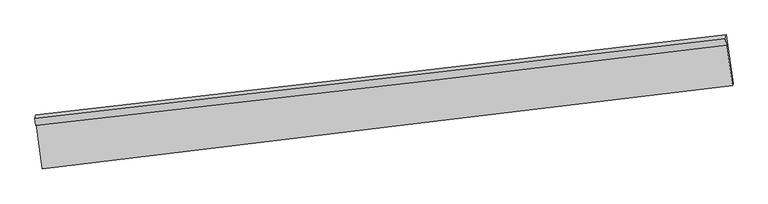
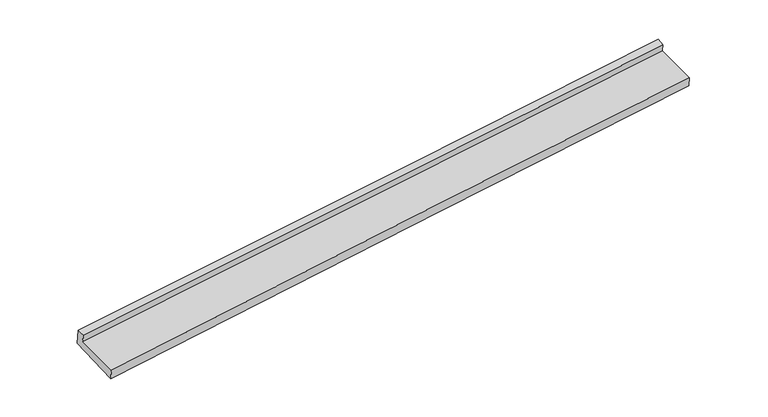
"""IFC4 building model written with IfcOpenShell, lengths in millimetres: proxy geometry."""

from ifc_helpers import new_model, si_unit, frame, origin, place, context, project, spatial, source, transform, mapped, element, save
from ifc_brep_helpers import plane_surface, spline_curve, spline_surface, advanced_brep


def generic_models_90b652bc(model_context):
    return source(origin(), model_context, "Body", "AdvancedBrep", [
        advanced_brep(
        [(-5935.2687821, -2169.4789585, 1711.4117748), (-5928.3019206, -2141.4029338, 1572.4263657), (5320.8482003, -829.7170735, 2401.2773702), (5313.8813387, -857.7930983, 2540.2627793), (-5951.6939642, -2052.375282, 1744.3641004), (5297.422038, -746.078108, 2582.3391435), (-5936.8959695, -1992.7402709, 1449.1514949), (5312.3218685, -686.0327046, 2285.0949632), (-5821.388501, -2835.1254102, 1247.7642097), (5421.2140915, -1480.1734783, 2095.2413594), (-5830.5115564, -2871.890764, 1429.76461), (5412.5817849, -1514.9611443, 2267.4515648)],
        [
            (0, 1),
            (1, 2, spline_curve(3, [(-5928.3019206, -2141.4029338, 1572.4263657), (-3782.72576763, -1903.09283756, 1736.070944949), (-1637.705567036, -1658.058238043, 1896.496915434), (2111.766612158, -1217.871953132, 2171.364929817), (3716.463119409, -1025.677932284, 2287.222627391), (5320.8482003, -829.7170735, 2401.2773702)], [4, 2, 4], [0.0, 21.30824102570208, 37.25623173710168])),
            (2, 3),
            (3, 0, spline_curve(3, [(5313.8813387, -857.7930983, 2540.2627793), (3709.782273327, -1052.601332535, 2420.50217288), (2105.249349489, -1244.13612415, 2301.381076939), (-1644.126698692, -1683.935002619, 2024.595274432), (-3789.310481454, -1929.628831159, 1867.432702229), (-5935.2687821, -2169.4789585, 1711.4117748)], [4, 2, 4], [0.0, 15.947990711399598, 37.25623173710168])),
            (4, 0),
            (3, 5),
            (5, 4, spline_curve(3, [(5297.422038, -746.078108, 2582.3391435), (3692.846123053, -934.637857453, 2458.954651943), (2088.042554268, -1122.269769491, 2337.203631376), (-1661.484029405, -1558.430684981, 2056.596040349), (-3806.38579539, -1806.231165072, 1899.022046188), (-5951.6939642, -2052.375282, 1744.3641004)], [4, 2, 4], [0.0, 15.947964783471988, 37.25617116665761])),
            (6, 4),
            (5, 7),
            (7, 6, spline_curve(3, [(5312.3218685, -686.0327046, 2285.0949632), (3707.458943094, -875.749088042, 2167.436182969), (2102.485002876, -1064.067588588, 2049.083999308), (-1647.167109488, -1500.734373831, 1770.980626714), (-3791.932448286, -1747.98506245, 1610.684987655), (-5936.8959695, -1992.7402709, 1449.1514949)], [4, 2, 4], [0.0, 15.947953734702342, 37.25614535553633])),
            (8, 6),
            (7, 9),
            (9, 8, spline_curve(3, [(5421.2140915, -1480.1734783, 2095.2413594), (3816.415793646, -1670.361184539, 1977.469901165), (2211.88286959, -1861.895976106, 1858.348805107), (-1535.859695589, -2312.488908221, 1576.916137505), (-3678.860969, -2572.604760784, 1413.544850453), (-5821.388501, -2835.1254102, 1247.7642097)], [4, 2, 4], [0.0, 15.947882738164303, 37.255979499942256])),
            (10, 8),
            (9, 11),
            (11, 10, spline_curve(3, [(5412.5817849, -1514.9611443, 2267.4515648), (3807.549880558, -1706.090270652, 2154.340442626), (2202.853373202, -1898.28429163, 2038.482745233), (-1545.107755951, -2349.75802595, 1761.410330533), (-3688.10902938, -2609.873878348, 1598.039043202), (-5830.5115564, -2871.890764, 1429.76461)], [4, 2, 4], [0.0, 15.947909938450593, 37.25604304275387])),
            (1, 10),
            (11, 2),
        ],
        [
            spline_surface(3, 3, [[(-5935.2687821, -2169.4789585, 1711.4117748), (-3789.310481345, -1929.628831295, 1867.432702367), (-1644.126698405, -1683.935002721, 2024.59527456), (2105.249349274, -1244.136124074, 2301.381076844), (3709.782273234, -1052.601332637, 2420.502172832), (5313.8813387, -857.7930983, 2540.2627793)], [(-5932.946494921, -2160.120283582, 1665.083305087), (-3787.115576661, -1920.783500019, 1823.645449823), (-1641.986321373, -1675.30941454, 1981.89582145), (2107.421770342, -1235.381400389, 2258.042361201), (3712.009221954, -1043.626865858, 2376.075657755), (5316.203625879, -848.434423382, 2493.934309587)], [(-5930.624207779, -2150.761608718, 1618.754835413), (-3784.920672013, -1911.938168797, 1779.858197317), (-1639.845944408, -1666.683826365, 1939.196368371), (2109.594191344, -1226.626676712, 2214.703645589), (3714.236170739, -1034.652399033, 2331.649142716), (5318.525913121, -839.075748418, 2447.605839913)], [(-5928.3019206, -2141.4029338, 1572.4263657), (-3782.725767329, -1903.092837521, 1736.070944773), (-1637.705567376, -1658.058238183, 1896.496915261), (2111.766612412, -1217.871953027, 2171.364929947), (3716.46311946, -1025.677932255, 2287.22262764), (5320.8482003, -829.7170735, 2401.2773702)]], [4, 4], [4, 2, 4], [0.0, 0.4322588821332527], [0.0, 21.30824102570208, 37.25623173710168]),
            spline_surface(3, 3, [[(-5951.6939642, -2052.375282, 1744.3641004), (-3806.385795427, -1806.231164912, 1899.022046302), (-1661.484029679, -1558.430685209, 2056.596040122), (2088.042554473, -1122.269769321, 2337.203631546), (3692.846122824, -934.637857666, 2458.954652067), (5297.422038, -746.078108, 2582.3391435)], [(-5946.218903512, -2091.409840854, 1733.379991887), (-3800.694024078, -1847.363720393, 1888.492265011), (-1655.698252579, -1600.265457702, 2045.929118268), (2093.778152748, -1162.891887561, 2325.262779979), (3698.491506314, -973.95901597, 2446.137158989), (5302.908471587, -783.31643808, 2568.313688767)], [(-5940.743842788, -2130.444399646, 1722.395883313), (-3795.002252694, -1888.496275813, 1877.962483658), (-1649.912475504, -1642.100230228, 2035.262196413), (2099.513750998, -1203.514005834, 2313.321928411), (3704.136889743, -1013.280174333, 2433.31966591), (5308.394905113, -820.55476822, 2554.288234033)], [(-5935.2687821, -2169.4789585, 1711.4117748), (-3789.310481345, -1929.628831295, 1867.432702367), (-1644.126698405, -1683.935002721, 2024.59527456), (2105.249349274, -1244.136124074, 2301.381076844), (3709.782273234, -1052.601332637, 2420.502172832), (5313.8813387, -857.7930983, 2540.2627793)]], [4, 4], [4, 2, 4], [0.0, 0.4251939882387166], [0.0, 21.30820638318562, 37.25617116665761]),
            spline_surface(3, 3, [[(-5936.8959695, -1992.7402709, 1449.1514949), (-3791.932448305, -1747.985062413, 1610.684987892), (-1647.167109311, -1500.734374056, 1770.980626801), (2102.485002744, -1064.067588419, 2049.083999243), (3707.458943065, -875.749088006, 2167.436183118), (5312.3218685, -686.0327046, 2285.0949632)], [(-5941.828634395, -2012.618607935, 1547.555696708), (-3796.750230674, -1767.400429915, 1706.79734067), (-1651.939416105, -1519.966477782, 1866.185764577), (2097.670853315, -1083.468315394, 2145.12387668), (3702.588002965, -895.378677906, 2264.609006097), (5307.355258313, -706.047839079, 2384.17635663)], [(-5946.761299305, -2032.496944965, 1645.959898592), (-3801.568013058, -1786.81579741, 1802.909693524), (-1656.711722884, -1539.198581483, 1961.390902345), (2092.856703902, -1102.869042345, 2241.163754109), (3697.717062924, -915.008267767, 2361.781829087), (5302.388648187, -726.062973521, 2483.25775007)], [(-5951.6939642, -2052.375282, 1744.3641004), (-3806.385795427, -1806.231164912, 1899.022046302), (-1661.484029679, -1558.430685209, 2056.596040122), (2088.042554473, -1122.269769321, 2337.203631546), (3692.846122824, -934.637857666, 2458.954652067), (5297.422038, -746.078108, 2582.3391435)]], [4, 4], [4, 2, 4], [0.0, 0.960788996231697], [0.0, 21.30819162083399, 37.25614535553633]),
            spline_surface(3, 3, [[(-5821.388501, -2835.1254102, 1247.7642097), (-3678.860968991, -2572.604760935, 1413.544850134), (-1535.859695544, -2312.488908479, 1576.916137399), (2211.882869556, -1861.895975913, 1858.348805187), (3816.415793616, -1670.361184376, 1977.469901175), (5421.2140915, -1480.1734783, 2095.2413594)], [(-5859.890990492, -2554.330363754, 1314.893304783), (-3716.551462088, -2297.731528082, 1479.258229402), (-1572.962166814, -2041.904063676, 1641.604300543), (2175.416913937, -1595.953180086, 1921.927203216), (3780.096843453, -1405.490485562, 2040.791995173), (5384.916683854, -1215.459887042, 2158.525894017)], [(-5898.393480008, -2273.535317346, 1382.022399817), (-3754.241955208, -2022.858295267, 1544.971608623), (-1610.06463804, -1771.319218859, 1706.292463656), (2138.950958363, -1330.010384245, 1985.505601214), (3743.777893228, -1140.619786821, 2104.114089119), (5348.619276146, -950.746295858, 2221.810428583)], [(-5936.8959695, -1992.7402709, 1449.1514949), (-3791.932448305, -1747.985062413, 1610.684987892), (-1647.167109311, -1500.734374056, 1770.980626801), (2102.485002744, -1064.067588419, 2049.083999243), (3707.458943065, -875.749088006, 2167.436183118), (5312.3218685, -686.0327046, 2285.0949632)]], [4, 4], [4, 2, 4], [0.0, 2.74644282753581], [0.0, 21.308096761777954, 37.255979499942256]),
            spline_surface(3, 3, [[(-5830.5115564, -2871.890764, 1429.76461), (-3688.10902967, -2609.873878343, 1598.039043334), (-1545.107756223, -2349.758025887, 1761.410330599), (2202.853373405, -1898.284291677, 2038.482745183), (3807.549880352, -1706.090270905, 2154.340442876), (5412.5817849, -1514.9611443, 2267.4515648)], [(-5827.47053793, -2859.635646054, 1369.097809887), (-3685.026342774, -2597.450839195, 1536.54097892), (-1542.025069326, -2337.334986739, 1699.912266185), (2205.863205459, -1886.154853077, 1978.438098504), (3810.505184754, -1694.180575399, 2095.383595632), (5415.459220413, -1503.365255637, 2210.048162989)], [(-5824.42951947, -2847.380528146, 1308.431009813), (-3681.943655888, -2585.027800083, 1475.042914547), (-1538.94238244, -2324.911947628, 1638.414201812), (2208.873037503, -1874.025414513, 1918.393451866), (3813.460489215, -1682.270879882, 2036.42674842), (5418.336655987, -1491.769366963, 2152.644761211)], [(-5821.388501, -2835.1254102, 1247.7642097), (-3678.860968991, -2572.604760935, 1413.544850134), (-1535.859695544, -2312.488908479, 1576.916137399), (2211.882869556, -1861.895975913, 1858.348805187), (3816.415793616, -1670.361184376, 1977.469901175), (5421.2140915, -1480.1734783, 2095.2413594)]], [4, 4], [4, 2, 4], [0.0, 0.6126671981502392], [0.0, 21.30813310430328, 37.25604304275387]),
            spline_surface(3, 3, [[(-5928.3019206, -2141.4029338, 1572.4263657), (-3782.725767329, -1903.092837521, 1736.070944773), (-1637.705567376, -1658.058238183, 1896.496915261), (2111.766612412, -1217.871953027, 2171.364929947), (3716.46311946, -1025.677932255, 2287.22262764), (5320.8482003, -829.7170735, 2401.2773702)], [(-5895.705132549, -2384.898877221, 1524.872447148), (-3751.186854792, -2138.686517816, 1690.060310975), (-1606.839630338, -1888.624834097, 1851.468053717), (2142.128866063, -1444.676065923, 2127.070868368), (3746.82537311, -1252.482045151, 2242.928566062), (5351.426061853, -1058.131763779, 2356.66876841)], [(-5863.108344451, -2628.394820579, 1477.318528552), (-3719.647942207, -2374.280198049, 1644.049677132), (-1575.97369326, -2119.191429973, 1806.439192143), (2172.491119754, -1671.480178781, 2082.776806761), (3777.187626702, -1479.286158009, 2198.634504455), (5382.003923347, -1286.546454021, 2312.06016659)], [(-5830.5115564, -2871.890764, 1429.76461), (-3688.10902967, -2609.873878343, 1598.039043334), (-1545.107756223, -2349.758025887, 1761.410330599), (2202.853373405, -1898.284291677, 2038.482745183), (3807.549880352, -1706.090270905, 2154.340442876), (5412.5817849, -1514.9611443, 2267.4515648)]], [4, 4], [4, 2, 4], [0.0, 2.319928544345286], [0.0, 21.308126356955373, 37.25603124540481]),
            plane_surface(frame((5346.3782203, -1019.1259345, 2361.9445301), z_axis=(0.9902635271987754, 0.11820880416625254, 0.07351751707875354), x_axis=(-0.1321911144130852, 0.9640574051440903, 0.2304752239549187))),
            plane_surface(frame((-5900.6767823, -2343.8356032, 1525.8137593), z_axis=(-0.9902635271987755, -0.11820880416625121, -0.07351751707875591), x_axis=(-0.04907488689197517, -0.19776878470422057, 0.9790194907524342))),
        ],
        [
            (0, [[1, 2, 3, 4]]),
            (1, [[5, -4, 6, 7]]),
            (2, [[8, -7, 9, 10]]),
            (3, [[11, -10, 12, 13]]),
            (4, [[14, -13, 15, 16]]),
            (5, [[17, -16, 18, -2]]),
            (6, [[-12, -9, -6, -3, -18, -15]]),
            (7, [[-1, -5, -8, -11, -14, -17]]),
        ],
    ),
    ])


if __name__ == "__main__":
    model = new_model("IFC4")
    model_context = context("Model", 3, world=origin())
    ifc_project = project(units=[si_unit("LENGTHUNIT", "METRE", prefix="MILLI")], contexts=[model_context])
    site = spatial("IfcSite", under=ifc_project)
    building = spatial("IfcBuilding", under=site)
    placement = place(None, origin())
    generic_models_shape = generic_models_90b652bc(model_context)
    element("IfcBuildingElementProxy", 1, Name="Generic Models", at=placement, inside=building, context=model_context, shape_type="MappedRepresentation", body=[
        mapped(generic_models_shape, transform((0.0, 0.0, 0.0), x_axis=(1.0, 0.0, 0.0), y_axis=(0.0, 1.0, 0.0), z_axis=(0.0, 0.0, 1.0))),
    ])
    save(model, "model.ifc")
